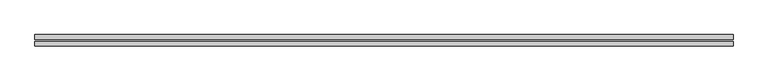
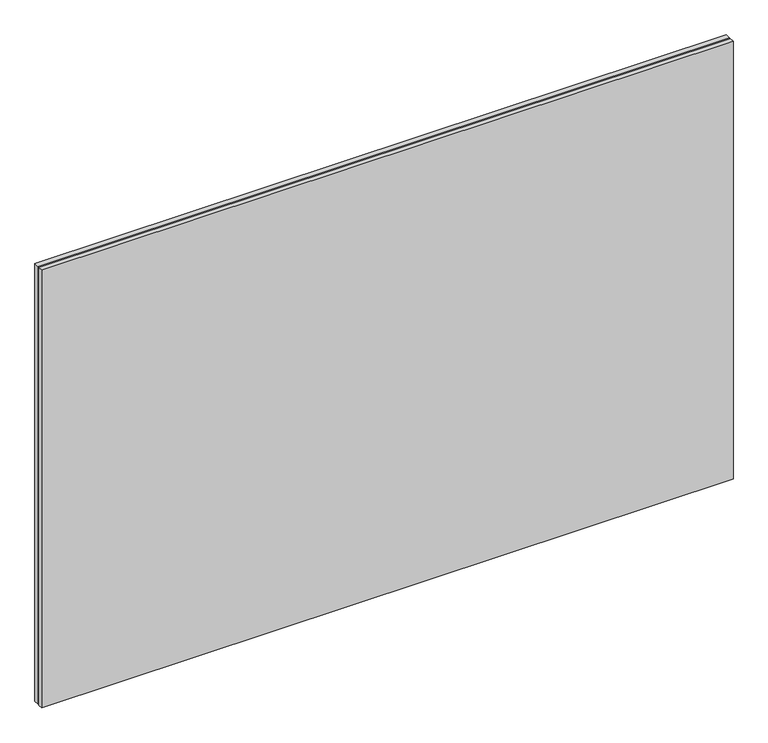
"""IFC4 building model written with IfcOpenShell, lengths in millimetres: plate geometry."""

from ifc_helpers import new_model, si_unit, origin, origin_with_axes, place, context, project, spatial, polyline, outline, extrude, source, transform, mapped, element, save


def plate_3e41132b(model_context):
    return source(origin(), model_context, "Body", "SweptSolid", [
        extrude(outline(polyline([(605.0, -10.0), (-605.0, -10.0), (-605.0, -2.0), (605.0, -2.0), (605.0, -10.0)])), origin_with_axes(), (0.0, 0.0, 1.0), 810.0),
        extrude(outline(polyline([(605.0, 2.0), (-605.0, 2.0), (-605.0, 10.0), (605.0, 10.0), (605.0, 2.0)])), origin_with_axes(), (0.0, 0.0, 1.0), 810.0),
    ])


if __name__ == "__main__":
    model = new_model("IFC4")
    model_context = context("Model", 3, world=origin())
    ifc_project = project(units=[si_unit("LENGTHUNIT", "METRE", prefix="MILLI")], contexts=[model_context])
    site = spatial("IfcSite", under=ifc_project)
    building = spatial("IfcBuilding", under=site)
    placement = place(None, origin())
    plate_shape = plate_3e41132b(model_context)
    element("IfcPlate", 1, at=placement, inside=building, context=model_context, shape_type="MappedRepresentation", body=[
        mapped(plate_shape, transform((0.0, 0.0, 0.0), x_axis=(1.0, 0.0, 0.0), y_axis=(0.0, 1.0, 0.0), z_axis=(0.0, 0.0, 1.0))),
    ])
    save(model, "model.ifc")
